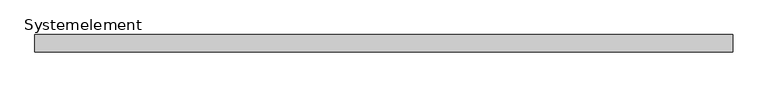
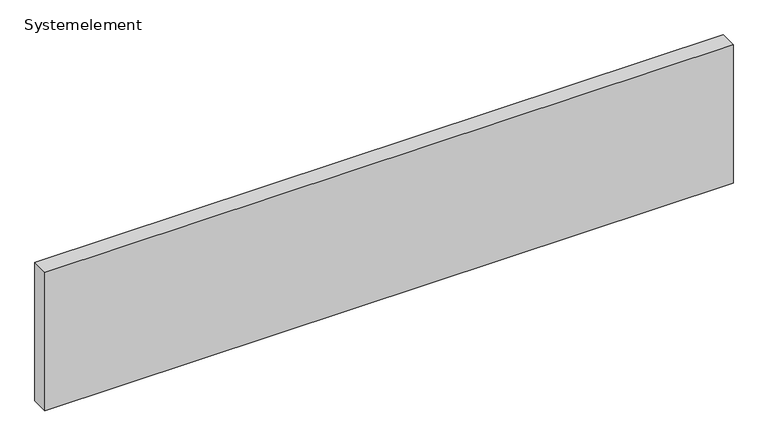
"""IFC4 building model written with IfcOpenShell, lengths in millimetres: plate geometry, Systemelement."""

from ifc_helpers import new_model, si_unit, origin, origin_with_axes, place, context, project, spatial, polyline, outline, extrude, source, transform, mapped, element, save


def systemelement_6190545f(model_context):
    return source(origin(), model_context, "Body", "SweptSolid", [
        extrude(outline(polyline([(2000.0, -100.0), (-2000.0, -100.0), (-2000.0, 0.0), (2000.0, 0.0), (2000.0, -100.0)])), origin_with_axes(), (0.0, 0.0, 1.0), 851.6147161),
    ])


if __name__ == "__main__":
    model = new_model("IFC4")
    model_context = context("Model", 3, world=origin())
    ifc_project = project(units=[si_unit("LENGTHUNIT", "METRE", prefix="MILLI")], contexts=[model_context])
    site = spatial("IfcSite", under=ifc_project)
    building = spatial("IfcBuilding", under=site)
    placement = place(None, origin())
    systemelement_shape = systemelement_6190545f(model_context)
    element("IfcPlate", 1, ObjectType="Systemelement", at=placement, inside=building, context=model_context, shape_type="MappedRepresentation", body=[
        mapped(systemelement_shape, transform((0.0, 0.0, 0.0), x_axis=(1.0, 0.0, 0.0), y_axis=(0.0, 1.0, 0.0), z_axis=(0.0, 0.0, 1.0))),
    ])
    save(model, "model.ifc")
